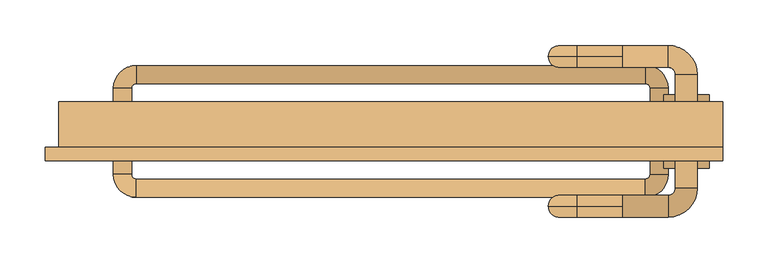
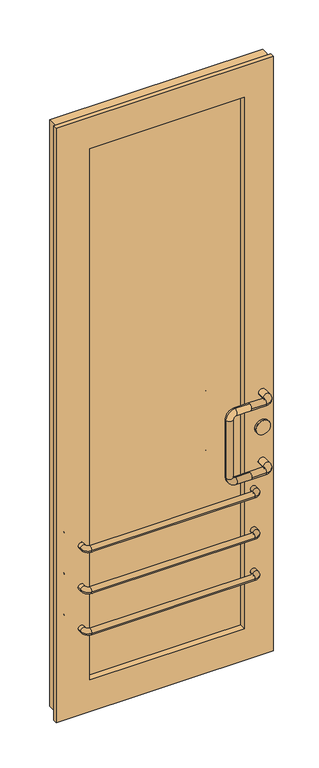
"""IFC4 building model written with IfcOpenShell, lengths in millimetres: door geometry."""

import ifcopenshell
import ifcopenshell.guid

model = None  # the IFC model being written
_history = None  # IfcOwnerHistory: only IFC2X3 demands one
_inside = {}  # id of a spatial element -> (the spatial element, [elements in it])
_under = {}  # id of a project, library or spatial element -> (it, [spatial elements below it])
_declared = {}  # id of a project -> (the project, [libraries it declares])
_typed = {}  # id of a type object -> (the type object, [elements of that type])
_made_of = {}  # id of a material, layer set ... -> (it, [elements and type objects made of it])


def new_model(schema):
    """Start an empty IFC model of exactly this schema.

    Asked for "IFC4X3", IfcOpenShell would pick the latest addendum, in which some entities
    have other attributes; the version numbers below select the first issue.
    IFC2X3 requires an IfcOwnerHistory on every rooted entity: one is made here for all.
    """
    global model, _history
    if schema == "IFC4X3":
        model = ifcopenshell.file(schema_version=(4, 3, 0, 0))
    else:
        model = ifcopenshell.file(schema=schema)
    _inside.clear()
    _under.clear()
    _declared.clear()
    _typed.clear()
    _made_of.clear()
    _history = None
    if model.schema == "IFC2X3":
        org = make("IfcOrganization", Name="unknown")
        user = make(
            "IfcPersonAndOrganization",
            ThePerson=make("IfcPerson", FamilyName="unknown"),
            TheOrganization=org,
        )
        app = make(
            "IfcApplication",
            ApplicationDeveloper=org,
            Version="unknown",
            ApplicationFullName="unknown",
            ApplicationIdentifier="unknown",
        )
        _history = make(
            "IfcOwnerHistory",
            OwningUser=user,
            OwningApplication=app,
            ChangeAction="ADDED",
            CreationDate=0,
        )
    return model


def make(cls, **values):
    """One entity of the class cls with the attributes given. An attribute that is None is left unset."""
    return model.create_entity(
        cls, **{name: value for name, value in values.items() if value is not None}
    )


def rooted(cls, **values):
    """An entity with a GlobalId (a new one), such as an element, a storey or a relation."""
    return make(cls, GlobalId=ifcopenshell.guid.new(), OwnerHistory=_history, **values)


def si_unit(unit_type, name, prefix=None):
    """IfcSIUnit, for example si_unit("LENGTHUNIT", "METRE", prefix="MILLI")."""
    return make("IfcSIUnit", UnitType=unit_type, Prefix=prefix, Name=name)


def assignment(units):
    """IfcUnitAssignment: the units of a project."""
    return None if units is None else make("IfcUnitAssignment", Units=units)


def point(xyz):
    """IfcCartesianPoint."""
    return None if xyz is None else make("IfcCartesianPoint", Coordinates=xyz)


def direction(xyz):
    """IfcDirection."""
    return None if xyz is None else make("IfcDirection", DirectionRatios=xyz)


def frame(location, z_axis=None, x_axis=None):
    """IfcAxis2Placement3D, a coordinate frame: its origin and axes. An axis left out is left unset."""
    return make(
        "IfcAxis2Placement3D",
        Location=point(location),
        Axis=direction(z_axis),
        RefDirection=direction(x_axis),
    )


def frame_2d(location, x_axis=None):
    """IfcAxis2Placement2D, a coordinate frame in the plane: its origin and x axis."""
    return make(
        "IfcAxis2Placement2D", Location=point(location), RefDirection=direction(x_axis)
    )


def origin():
    """The frame at (0, 0, 0) with its axes left unset."""
    return frame((0.0, 0.0, 0.0))


def place(relative_to, where):
    """IfcLocalPlacement: puts the frame where relative to a parent placement (None: the world)."""
    return make(
        "IfcLocalPlacement", PlacementRelTo=relative_to, RelativePlacement=where
    )


def context(
    kind, dimensions, precision=None, world=None, true_north=None, identifier=None
):
    """IfcGeometricRepresentationContext, for example the 3D "Model" context."""
    return make(
        "IfcGeometricRepresentationContext",
        ContextIdentifier=identifier,
        ContextType=kind,
        CoordinateSpaceDimension=dimensions,
        Precision=precision,
        WorldCoordinateSystem=world,
        TrueNorth=true_north,
    )


def project(units=None, contexts=None):
    """IfcProject with its units and contexts."""
    return rooted(
        "IfcProject",
        Name="project",
        RepresentationContexts=contexts,
        UnitsInContext=assignment(units),
    )


def spatial(cls, under=None, at=None, **own):
    """A site, building, storey or space (cls), placed at a placement, below another one or the project."""
    s = rooted(cls, ObjectPlacement=at, **own)
    if under is not None:
        _under.setdefault(under.id(), (under, []))[1].append(s)
    return s


def polyline(points):
    """IfcPolyline through the points."""
    return make("IfcPolyline", Points=[point(p) for p in points])


def circle_curve(where, radius):
    """IfcCircle in the frame where."""
    return make("IfcCircle", Position=where, Radius=radius)


def ellipse_curve(where, semi_axis1, semi_axis2):
    """IfcEllipse in the frame where."""
    return make(
        "IfcEllipse", Position=where, SemiAxis1=semi_axis1, SemiAxis2=semi_axis2
    )


def trimmed(basis, trim1, trim2, sense, master):
    """IfcTrimmedCurve: the piece of a basis curve between two trims."""
    return make(
        "IfcTrimmedCurve",
        BasisCurve=basis,
        Trim1=trim1,
        Trim2=trim2,
        SenseAgreement=sense,
        MasterRepresentation=master,
    )


def segment(curve, same_sense, transition):
    """IfcCompositeCurveSegment."""
    return make(
        "IfcCompositeCurveSegment",
        Transition=transition,
        SameSense=same_sense,
        ParentCurve=curve,
    )


def composite_curve(segments, self_intersect=None):
    """IfcCompositeCurve: segments joined end to end."""
    return make("IfcCompositeCurve", Segments=segments, SelfIntersect=self_intersect)


def outline(outer, holes=None, kind="AREA"):
    """IfcArbitraryClosedProfileDef: a profile drawn as a closed curve; with holes, ...WithVoids."""
    if holes is None:
        return make("IfcArbitraryClosedProfileDef", ProfileType=kind, OuterCurve=outer)
    return make(
        "IfcArbitraryProfileDefWithVoids",
        ProfileType=kind,
        OuterCurve=outer,
        InnerCurves=holes,
    )


def extrude(swept, where, along, depth):
    """IfcExtrudedAreaSolid: the profile swept, set in the frame where, extruded along a direction by depth."""
    return make(
        "IfcExtrudedAreaSolid",
        SweptArea=swept,
        Position=where,
        ExtrudedDirection=direction(along),
        Depth=depth,
    )


def faces_of(points, faces, orient=None, outer=None):
    """IfcFace entities. A face is a list of loops; a loop is a list of indices into points, from 0.

    orient and outer hold one flag for each loop. By default every Orientation is true, the
    first loop of a face is its IfcFaceOuterBound and the others are IfcFaceBound.
    """
    made = []
    for i, loops in enumerate(faces):
        bounds = []
        for j, loop in enumerate(loops):
            is_outer = j == 0 if outer is None else outer[i][j]
            bounds.append(
                make(
                    "IfcFaceOuterBound" if is_outer else "IfcFaceBound",
                    Bound=make("IfcPolyLoop", Polygon=[points[k] for k in loop]),
                    Orientation=True if orient is None else orient[i][j],
                )
            )
        made.append(make("IfcFace", Bounds=bounds))
    return made


def faceted_brep(points, faces, orient=None, outer=None, voids=None):
    """IfcFacetedBrep: a solid bounded by flat faces; with voids (closed shells), ...WithVoids."""
    shared = [point(p) for p in points]
    hull = make("IfcClosedShell", CfsFaces=faces_of(shared, faces, orient, outer))
    if voids is None:
        return make("IfcFacetedBrep", Outer=hull)
    return make(
        "IfcFacetedBrepWithVoids",
        Outer=hull,
        Voids=[
            make(cls, CfsFaces=faces_of(shared, fs, o, b)) for cls, fs, o, b in voids
        ],
    )


def shape(context_of_items, identifier, shape_type, items):
    """IfcShapeRepresentation: the items that make up one representation, for example the "Body"."""
    return make(
        "IfcShapeRepresentation",
        ContextOfItems=context_of_items,
        RepresentationIdentifier=identifier,
        RepresentationType=shape_type,
        Items=items,
    )


def source(mapping_origin, context_of_items, identifier, shape_type, items):
    """IfcRepresentationMap: a shape defined once, which mapped items show again and again."""
    return make(
        "IfcRepresentationMap",
        MappingOrigin=mapping_origin,
        MappedRepresentation=shape(context_of_items, identifier, shape_type, items),
    )


def transform(
    local_origin,
    x_axis=None,
    y_axis=None,
    z_axis=None,
    scale=None,
    scale2=None,
    scale3=None,
    uniform=True,
):
    """IfcCartesianTransformationOperator3D, or its non-uniform kind. x_axis, y_axis, z_axis: its Axis1, 2, 3."""
    if uniform:
        return make(
            "IfcCartesianTransformationOperator3D",
            Axis1=direction(x_axis),
            Axis2=direction(y_axis),
            LocalOrigin=point(local_origin),
            Scale=scale,
            Axis3=direction(z_axis),
        )
    return make(
        "IfcCartesianTransformationOperator3DnonUniform",
        Axis1=direction(x_axis),
        Axis2=direction(y_axis),
        LocalOrigin=point(local_origin),
        Scale=scale,
        Axis3=direction(z_axis),
        Scale2=scale2,
        Scale3=scale3,
    )


def mapped(mapping_source, mapping_target):
    """IfcMappedItem: shows the shape of a source again, moved by a transform."""
    return make(
        "IfcMappedItem", MappingSource=mapping_source, MappingTarget=mapping_target
    )


def made_of(thing, what):
    """Note that an element or type object is made of a material, layer set ...; save() writes the relation."""
    if what is not None:
        _made_of.setdefault(what.id(), (what, []))[1].append(thing)
    return thing


def element(
    cls,
    number,
    at=None,
    inside=None,
    cuts=None,
    type_object=None,
    material=None,
    context=None,
    identifier="Body",
    shape_type=None,
    held_by="IfcProductDefinitionShape",
    body=None,
    shapes=None,
    **own,
):
    """One element of the class cls, such as IfcWall. Its Tag is "e" and its number.

    at: its placement. inside: the storey or other place that contains it. cuts: it is an
    opening in that element (IfcRelVoidsElement). A single representation is given by context,
    identifier, shape_type and body (its items); several are given by shapes. held_by: the class
    of the entity that holds the representations. save() writes the other relations.
    """
    e = rooted(cls, Tag="e%d" % number, ObjectPlacement=at, **own)
    if body is not None:
        shapes = [shape(context, identifier, shape_type, body)]
    if shapes is not None:
        e.Representation = make(held_by, Representations=shapes)
    if inside is not None:
        _inside.setdefault(inside.id(), (inside, []))[1].append(e)
    if cuts is not None:
        rooted(
            "IfcRelVoidsElement", RelatingBuildingElement=cuts, RelatedOpeningElement=e
        )
    if type_object is not None:
        _typed.setdefault(type_object.id(), (type_object, []))[1].append(e)
    return made_of(e, material)


def aggregate(whole, parts):
    """IfcRelAggregates: a whole, such as a stair, and the parts it consists of."""
    return rooted("IfcRelAggregates", RelatingObject=whole, RelatedObjects=parts)


def save(model, path):
    """Write the relations noted so far, then the file.

    IfcRelAggregates (storeys below a building ...), IfcRelContainedInSpatialStructure (elements
    in a storey), IfcRelDefinesByType, IfcRelAssociatesMaterial and IfcRelDeclares: one each for
    every whole, place, type object, material and project.
    """
    for whole, parts in _under.values():
        aggregate(whole, parts)
    for where, things in _inside.values():
        rooted(
            "IfcRelContainedInSpatialStructure",
            RelatedElements=things,
            RelatingStructure=where,
        )
    for kind, things in _typed.values():
        rooted("IfcRelDefinesByType", RelatedObjects=things, RelatingType=kind)
    for what, things in _made_of.values():
        rooted("IfcRelAssociatesMaterial", RelatedObjects=things, RelatingMaterial=what)
    for by, libraries in _declared.values():
        rooted("IfcRelDeclares", RelatingContext=by, RelatedDefinitions=libraries)
    model.write(path)


def cylinder_surface(at, radius):
    """IfcCylindricalSurface: all points at the distance radius from the z axis of the frame at."""
    return make("IfcCylindricalSurface", Position=at, Radius=radius)


def revolved_surface(curve, axis_point, axis_direction):
    """IfcSurfaceOfRevolution: the curve turned about the line through axis_point along axis_direction."""
    return make(
        "IfcSurfaceOfRevolution",
        SweptCurve=make("IfcArbitraryOpenProfileDef", ProfileType="CURVE", Curve=curve),
        AxisPosition=make("IfcAxis1Placement", Location=point(axis_point), Axis=direction(axis_direction)),
    )


def advanced_brep(points, edges, surfaces, faces):
    """IfcAdvancedBrep: a solid bounded by faces that lie on surfaces and meet in shared edges.

    An edge is (start, end): straight between two places in points (the first is 0);
    or (start, end, curve); or (start, end, curve, False) where it runs against its curve.
    A face is (place in surfaces, loops), or (place, loops, False) where it looks against
    its surface's normal. A loop lists edges by number (the first is 1), with a minus sign
    where the edge is run from its end to its start. The first loop is the outer one.
    """
    corners = [point(p) for p in points]
    vertices = [make("IfcVertexPoint", VertexGeometry=c) for c in corners]
    made = []
    for start, end, *more in edges:
        made.append(
            make(
                "IfcEdgeCurve",
                EdgeStart=vertices[start],
                EdgeEnd=vertices[end],
                EdgeGeometry=more[0] if more else make("IfcPolyline", Points=[corners[start], corners[end]]),
                SameSense=more[1] if len(more) > 1 else True,
            )
        )
    hull = []
    for where, loops, *sense in faces:
        bounds = []
        for j, loop in enumerate(loops):
            ring = [make("IfcOrientedEdge", EdgeElement=made[abs(k) - 1], Orientation=k > 0) for k in loop]
            bounds.append(
                make(
                    "IfcFaceOuterBound" if j == 0 else "IfcFaceBound",
                    Bound=make("IfcEdgeLoop", EdgeList=ring),
                    Orientation=True,
                )
            )
        hull.append(make("IfcAdvancedFace", Bounds=bounds, FaceSurface=surfaces[where], SameSense=sense[0] if sense else True))
    return make("IfcAdvancedBrep", Outer=make("IfcClosedShell", CfsFaces=hull))


def door_26f77ad2(model_context):
    return source(origin(), model_context, "Body", "SolidModel", [
        faceted_brep([(-100.0, -47.5, 160.0), (-100.0, 17.5, 160.0), (-631.3125, 17.5, 160.0), (-631.3125, -47.5, 160.0), (-746.3125, -47.5, 45.0), (-746.3125, -32.5, 45.0), (0.0, -32.5, 45.0), (0.0, -47.5, 45.0), (0.0, 17.5, 60.0), (0.0, -32.5, 60.0), (-731.3125, -32.5, 60.0), (-731.3125, 17.5, 60.0), (-631.3125, 17.5, 2090.125), (-631.3125, -47.5, 2090.125), (-746.3125, -47.5, 2205.125), (-746.3125, -32.5, 2205.125), (-731.3125, -32.5, 2190.125), (-731.3125, 17.5, 2190.125), (-100.0, 17.5, 2090.125), (-100.0, -47.5, 2090.125), (0.0, -47.5, 2205.125), (0.0, -32.5, 2205.125), (0.0, -32.5, 2190.125), (0.0, 17.5, 2190.125)], [[[0, 1, 2, 3]], [[4, 5, 6, 7]], [[8, 9, 10, 11]], [[3, 2, 12, 13]], [[5, 4, 14, 15]], [[11, 10, 16, 17]], [[13, 12, 18, 19]], [[15, 14, 20, 21]], [[17, 16, 22, 23]], [[1, 0, 19, 18]], [[14, 4, 7, 20], [0, 3, 13, 19]], [[10, 9, 6, 5, 15, 21, 22, 16]], [[9, 8, 23, 22, 21, 20, 7, 6]], [[8, 11, 17, 23], [2, 1, 18, 12]]]),
        advanced_brep(
        [(-60.0, 32.5, 360.0), (-80.0, 32.5, 360.0), (-80.0, -62.5, 360.0), (-60.0, -62.5, 360.0), (-85.0, -87.5, 360.0), (-85.0, -67.5, 360.0), (-646.3125, -67.5, 360.0), (-646.3125, -87.5, 360.0), (-671.3125, -62.5, 360.0), (-651.3125, -62.5, 360.0), (-651.3125, 32.5, 360.0), (-671.3125, 32.5, 360.0), (-646.3125, 57.5, 360.0), (-646.3125, 37.5, 360.0), (-85.0, 37.5, 360.0), (-85.0, 57.5, 360.0)],
        [
            (0, 1, circle_curve(frame((-70.0, 32.5, 360.0), z_axis=(0.0, -1.0, 0.0), x_axis=(1.0, 0.0, 0.0)), 10.0)),
            (1, 2),
            (2, 3, circle_curve(frame((-70.0, -62.5, 360.0), z_axis=(0.0, 1.0, 0.0), x_axis=(1.0, 0.0, 0.0)), 10.0)),
            (3, 0),
            (1, 0, circle_curve(frame((-70.0, 32.5, 360.0), z_axis=(0.0, -1.0, 0.0), x_axis=(1.0, 0.0, 0.0)), 10.0)),
            (3, 2, circle_curve(frame((-70.0, -62.5, 360.0), z_axis=(0.0, 1.0, 0.0), x_axis=(1.0, 0.0, 0.0)), 10.0)),
            (4, 3, circle_curve(frame((-85.0, -62.5, 360.0), z_axis=(0.0, 0.0, 1.0), x_axis=(1.0, 0.0, 0.0)), 25.0)),
            (2, 5, circle_curve(frame((-85.0, -62.5, 360.0), z_axis=(0.0, 0.0, -1.0), x_axis=(1.0, 0.0, 0.0)), 5.0)),
            (5, 4, circle_curve(frame((-85.0, -77.5, 360.0), z_axis=(1.0, 0.0, 0.0), x_axis=(0.0, -1.0, 0.0)), 10.0)),
            (4, 5, circle_curve(frame((-85.0, -77.5, 360.0), z_axis=(1.0, 0.0, 0.0), x_axis=(0.0, -1.0, 0.0)), 10.0)),
            (5, 6),
            (6, 7, circle_curve(frame((-646.3125, -77.5, 360.0), z_axis=(1.0, 0.0, 0.0), x_axis=(0.0, -1.0, 0.0)), 10.0)),
            (7, 4),
            (7, 6, circle_curve(frame((-646.3125, -77.5, 360.0), z_axis=(1.0, 0.0, 0.0), x_axis=(0.0, -1.0, 0.0)), 10.0)),
            (8, 7, circle_curve(frame((-646.3125, -62.5, 360.0), z_axis=(0.0, 0.0, 1.0), x_axis=(0.0, -1.0, 0.0)), 25.0)),
            (6, 9, circle_curve(frame((-646.3125, -62.5, 360.0), z_axis=(0.0, 0.0, -1.0), x_axis=(0.0, -1.0, 0.0)), 5.0)),
            (9, 8, circle_curve(frame((-661.3125, -62.5, 360.0), z_axis=(0.0, -1.0, 0.0), x_axis=(-1.0, 0.0, 0.0)), 10.0)),
            (8, 9, circle_curve(frame((-661.3125, -62.5, 360.0), z_axis=(0.0, -1.0, 0.0), x_axis=(-1.0, 0.0, 0.0)), 10.0)),
            (9, 10),
            (10, 11, circle_curve(frame((-661.3125, 32.5, 360.0), z_axis=(0.0, -1.0, 0.0), x_axis=(-1.0, 0.0, 0.0)), 10.0)),
            (11, 8),
            (11, 10, circle_curve(frame((-661.3125, 32.5, 360.0), z_axis=(0.0, -1.0, 0.0), x_axis=(-1.0, 0.0, 0.0)), 10.0)),
            (12, 11, circle_curve(frame((-646.3125, 32.5, 360.0), z_axis=(0.0, 0.0, 1.0), x_axis=(-1.0, 0.0, 0.0)), 25.0)),
            (10, 13, circle_curve(frame((-646.3125, 32.5, 360.0), z_axis=(0.0, 0.0, -1.0), x_axis=(-1.0, 0.0, 0.0)), 5.0)),
            (13, 12, circle_curve(frame((-646.3125, 47.5, 360.0), z_axis=(-1.0, 0.0, 0.0), x_axis=(0.0, 1.0, 0.0)), 10.0)),
            (12, 13, circle_curve(frame((-646.3125, 47.5, 360.0), z_axis=(-1.0, 0.0, 0.0), x_axis=(0.0, 1.0, 0.0)), 10.0)),
            (13, 14),
            (14, 15, circle_curve(frame((-85.0, 47.5, 360.0), z_axis=(-1.0, 0.0, 0.0), x_axis=(0.0, 1.0, 0.0)), 10.0)),
            (15, 12),
            (15, 14, circle_curve(frame((-85.0, 47.5, 360.0), z_axis=(-1.0, 0.0, 0.0), x_axis=(0.0, 1.0, 0.0)), 10.0)),
            (0, 15, circle_curve(frame((-85.0, 32.5, 360.0), z_axis=(0.0, 0.0, 1.0), x_axis=(0.0, 1.0, 0.0)), 25.0)),
            (14, 1, circle_curve(frame((-85.0, 32.5, 360.0), z_axis=(0.0, 0.0, -1.0), x_axis=(0.0, 1.0, 0.0)), 5.0)),
        ],
        [
            cylinder_surface(frame((-70.0, 32.5, 360.0), z_axis=(0.0, 1.0, 0.0), x_axis=(1.0, 0.0, 0.0)), 10.0),
            revolved_surface(trimmed(ellipse_curve(frame((-70.0, -62.5, 360.0), z_axis=(0.0, 1.0, 0.0), x_axis=(1.0, 0.0, 0.0)), 10.0, 10.0), [point((-80.0, -62.5, 360.0))], [point((-60.0, -62.5, 360.0))], True, "CARTESIAN"), (-85.0, -62.5, 360.0), (0.0, 0.0, -1.0)),
            revolved_surface(trimmed(ellipse_curve(frame((-70.0, -62.5, 360.0), z_axis=(0.0, 1.0, 0.0), x_axis=(1.0, 0.0, 0.0)), 10.0, 10.0), [point((-60.0, -62.5, 360.0))], [point((-80.0, -62.5, 360.0))], True, "CARTESIAN"), (-85.0, -62.5, 360.0), (0.0, 0.0, -1.0)),
            cylinder_surface(frame((-85.0, -77.5, 360.0), z_axis=(1.0, 0.0, 0.0), x_axis=(0.0, -1.0, 0.0)), 10.0),
            revolved_surface(trimmed(ellipse_curve(frame((-646.3125, -77.5, 360.0), z_axis=(1.0, 0.0, 0.0), x_axis=(0.0, -1.0, 0.0)), 10.0, 10.0), [point((-646.3125, -67.5, 360.0))], [point((-646.3125, -87.5, 360.0))], True, "CARTESIAN"), (-646.3125, -62.5, 360.0), (0.0, 0.0, -1.0)),
            revolved_surface(trimmed(ellipse_curve(frame((-646.3125, -77.5, 360.0), z_axis=(1.0, 0.0, 0.0), x_axis=(0.0, -1.0, 0.0)), 10.0, 10.0), [point((-646.3125, -87.5, 360.0))], [point((-646.3125, -67.5, 360.0))], True, "CARTESIAN"), (-646.3125, -62.5, 360.0), (0.0, 0.0, -1.0)),
            cylinder_surface(frame((-661.3125, -62.5, 360.0), z_axis=(0.0, -1.0, 0.0), x_axis=(-1.0, 0.0, 0.0)), 10.0),
            revolved_surface(trimmed(ellipse_curve(frame((-661.3125, 32.5, 360.0), z_axis=(0.0, -1.0, 0.0), x_axis=(-1.0, 0.0, 0.0)), 10.0, 10.0), [point((-651.3125, 32.5, 360.0))], [point((-671.3125, 32.5, 360.0))], True, "CARTESIAN"), (-646.3125, 32.5, 360.0), (0.0, 0.0, -1.0)),
            revolved_surface(trimmed(ellipse_curve(frame((-661.3125, 32.5, 360.0), z_axis=(0.0, -1.0, 0.0), x_axis=(-1.0, 0.0, 0.0)), 10.0, 10.0), [point((-671.3125, 32.5, 360.0))], [point((-651.3125, 32.5, 360.0))], True, "CARTESIAN"), (-646.3125, 32.5, 360.0), (0.0, 0.0, -1.0)),
            cylinder_surface(frame((-646.3125, 47.5, 360.0), z_axis=(-1.0, 0.0, 0.0), x_axis=(0.0, 1.0, 0.0)), 10.0),
            revolved_surface(trimmed(ellipse_curve(frame((-85.0, 47.5, 360.0), z_axis=(-1.0, 0.0, 0.0), x_axis=(0.0, 1.0, 0.0)), 10.0, 10.0), [point((-85.0, 37.5, 360.0))], [point((-85.0, 57.5, 360.0))], True, "CARTESIAN"), (-85.0, 32.5, 360.0), (0.0, 0.0, -1.0)),
            revolved_surface(trimmed(ellipse_curve(frame((-85.0, 47.5, 360.0), z_axis=(-1.0, 0.0, 0.0), x_axis=(0.0, 1.0, 0.0)), 10.0, 10.0), [point((-85.0, 57.5, 360.0))], [point((-85.0, 37.5, 360.0))], True, "CARTESIAN"), (-85.0, 32.5, 360.0), (0.0, 0.0, -1.0)),
        ],
        [
            (0, [[1, 2, 3, 4]]),
            (0, [[5, -4, 6, -2]]),
            (1, [[7, -3, 8, 9]]),
            (2, [[-8, -6, -7, 10]]),
            (3, [[-9, 11, 12, 13]]),
            (3, [[-10, -13, 14, -11]]),
            (4, [[15, -12, 16, 17]]),
            (5, [[-16, -14, -15, 18]]),
            (6, [[-17, 19, 20, 21]]),
            (6, [[-18, -21, 22, -19]]),
            (7, [[23, -20, 24, 25]]),
            (8, [[-24, -22, -23, 26]]),
            (9, [[-25, 27, 28, 29]]),
            (9, [[-26, -29, 30, -27]]),
            (10, [[31, -28, 32, -1]]),
            (11, [[-32, -30, -31, -5]]),
        ],
    ),
        advanced_brep(
        [(-60.0, 32.5, 510.0), (-80.0, 32.5, 510.0), (-80.0, -62.5, 510.0), (-60.0, -62.5, 510.0), (-85.0, -87.5, 510.0), (-85.0, -67.5, 510.0), (-646.3125, -67.5, 510.0), (-646.3125, -87.5, 510.0), (-671.3125, -62.5, 510.0), (-651.3125, -62.5, 510.0), (-651.3125, 32.5, 510.0), (-671.3125, 32.5, 510.0), (-646.3125, 57.5, 510.0), (-646.3125, 37.5, 510.0), (-85.0, 37.5, 510.0), (-85.0, 57.5, 510.0)],
        [
            (0, 1, circle_curve(frame((-70.0, 32.5, 510.0), z_axis=(0.0, -1.0, 0.0), x_axis=(1.0, 0.0, 0.0)), 10.0)),
            (1, 2),
            (2, 3, circle_curve(frame((-70.0, -62.5, 510.0), z_axis=(0.0, 1.0, 0.0), x_axis=(1.0, 0.0, 0.0)), 10.0)),
            (3, 0),
            (1, 0, circle_curve(frame((-70.0, 32.5, 510.0), z_axis=(0.0, -1.0, 0.0), x_axis=(1.0, 0.0, 0.0)), 10.0)),
            (3, 2, circle_curve(frame((-70.0, -62.5, 510.0), z_axis=(0.0, 1.0, 0.0), x_axis=(1.0, 0.0, 0.0)), 10.0)),
            (4, 3, circle_curve(frame((-85.0, -62.5, 510.0), z_axis=(0.0, 0.0, 1.0), x_axis=(1.0, 0.0, 0.0)), 25.0)),
            (2, 5, circle_curve(frame((-85.0, -62.5, 510.0), z_axis=(0.0, 0.0, -1.0), x_axis=(1.0, 0.0, 0.0)), 5.0)),
            (5, 4, circle_curve(frame((-85.0, -77.5, 510.0), z_axis=(1.0, 0.0, 0.0), x_axis=(0.0, -1.0, 0.0)), 10.0)),
            (4, 5, circle_curve(frame((-85.0, -77.5, 510.0), z_axis=(1.0, 0.0, 0.0), x_axis=(0.0, -1.0, 0.0)), 10.0)),
            (5, 6),
            (6, 7, circle_curve(frame((-646.3125, -77.5, 510.0), z_axis=(1.0, 0.0, 0.0), x_axis=(0.0, -1.0, 0.0)), 10.0)),
            (7, 4),
            (7, 6, circle_curve(frame((-646.3125, -77.5, 510.0), z_axis=(1.0, 0.0, 0.0), x_axis=(0.0, -1.0, 0.0)), 10.0)),
            (8, 7, circle_curve(frame((-646.3125, -62.5, 510.0), z_axis=(0.0, 0.0, 1.0), x_axis=(0.0, -1.0, 0.0)), 25.0)),
            (6, 9, circle_curve(frame((-646.3125, -62.5, 510.0), z_axis=(0.0, 0.0, -1.0), x_axis=(0.0, -1.0, 0.0)), 5.0)),
            (9, 8, circle_curve(frame((-661.3125, -62.5, 510.0), z_axis=(0.0, -1.0, 0.0), x_axis=(-1.0, 0.0, 0.0)), 10.0)),
            (8, 9, circle_curve(frame((-661.3125, -62.5, 510.0), z_axis=(0.0, -1.0, 0.0), x_axis=(-1.0, 0.0, 0.0)), 10.0)),
            (9, 10),
            (10, 11, circle_curve(frame((-661.3125, 32.5, 510.0), z_axis=(0.0, -1.0, 0.0), x_axis=(-1.0, 0.0, 0.0)), 10.0)),
            (11, 8),
            (11, 10, circle_curve(frame((-661.3125, 32.5, 510.0), z_axis=(0.0, -1.0, 0.0), x_axis=(-1.0, 0.0, 0.0)), 10.0)),
            (12, 11, circle_curve(frame((-646.3125, 32.5, 510.0), z_axis=(0.0, 0.0, 1.0), x_axis=(-1.0, -1.264444445123043e-12, 0.0)), 25.0)),
            (10, 13, circle_curve(frame((-646.3125, 32.5, 510.0), z_axis=(0.0, 0.0, -1.0), x_axis=(-1.0, -1.264444445123043e-12, 0.0)), 5.0)),
            (13, 12, circle_curve(frame((-646.3125, 47.5, 510.0), z_axis=(-1.0, 0.0, 0.0), x_axis=(0.0, 1.0, 0.0)), 10.0)),
            (12, 13, circle_curve(frame((-646.3125, 47.5, 510.0), z_axis=(-1.0, 0.0, 0.0), x_axis=(0.0, 1.0, 0.0)), 10.0)),
            (13, 14),
            (14, 15, circle_curve(frame((-85.0, 47.5, 510.0), z_axis=(-1.0, 0.0, 0.0), x_axis=(0.0, 1.0, 0.0)), 10.0)),
            (15, 12),
            (15, 14, circle_curve(frame((-85.0, 47.5, 510.0), z_axis=(-1.0, 0.0, 0.0), x_axis=(0.0, 1.0, 0.0)), 10.0)),
            (0, 15, circle_curve(frame((-85.0, 32.5, 510.0), z_axis=(0.0, 0.0, 1.0), x_axis=(0.0, 1.0, 0.0)), 25.0)),
            (14, 1, circle_curve(frame((-85.0, 32.5, 510.0), z_axis=(0.0, 0.0, -1.0), x_axis=(0.0, 1.0, 0.0)), 5.0)),
        ],
        [
            cylinder_surface(frame((-70.0, 32.5, 510.0), z_axis=(0.0, 1.0, 0.0), x_axis=(1.0, 0.0, 0.0)), 10.0),
            revolved_surface(trimmed(ellipse_curve(frame((-70.0, -62.5, 510.0), z_axis=(0.0, 1.0, 0.0), x_axis=(1.0, 0.0, 0.0)), 10.0, 10.0), [point((-80.0, -62.5, 510.0))], [point((-60.0, -62.5, 510.0))], True, "CARTESIAN"), (-85.0, -62.5, 510.0), (0.0, 0.0, -1.0)),
            revolved_surface(trimmed(ellipse_curve(frame((-70.0, -62.5, 510.0), z_axis=(0.0, 1.0, 0.0), x_axis=(1.0, 0.0, 0.0)), 10.0, 10.0), [point((-60.0, -62.5, 510.0))], [point((-80.0, -62.5, 510.0))], True, "CARTESIAN"), (-85.0, -62.5, 510.0), (0.0, 0.0, -1.0)),
            cylinder_surface(frame((-85.0, -77.5, 510.0), z_axis=(1.0, 0.0, 0.0), x_axis=(0.0, -1.0, 0.0)), 10.0),
            revolved_surface(trimmed(ellipse_curve(frame((-646.3125, -77.5, 510.0), z_axis=(1.0, 0.0, 0.0), x_axis=(0.0, -1.0, 0.0)), 10.0, 10.0), [point((-646.3125, -67.5, 510.0))], [point((-646.3125, -87.5, 510.0))], True, "CARTESIAN"), (-646.3125, -62.5, 510.0), (0.0, 0.0, -1.0)),
            revolved_surface(trimmed(ellipse_curve(frame((-646.3125, -77.5, 510.0), z_axis=(1.0, 0.0, 0.0), x_axis=(0.0, -1.0, 0.0)), 10.0, 10.0), [point((-646.3125, -87.5, 510.0))], [point((-646.3125, -67.5, 510.0))], True, "CARTESIAN"), (-646.3125, -62.5, 510.0), (0.0, 0.0, -1.0)),
            cylinder_surface(frame((-661.3125, -62.5, 510.0), z_axis=(0.0, -1.0, 0.0), x_axis=(-1.0, 0.0, 0.0)), 10.0),
            revolved_surface(trimmed(ellipse_curve(frame((-661.3125, 32.5, 510.0), z_axis=(1.2644444451230432e-12, -1.0, 0.0), x_axis=(-1.0, -1.2644444451230432e-12, 0.0)), 10.0, 10.0), [point((-651.3125, 32.5, 510.0))], [point((-671.3125, 32.5, 510.0))], True, "CARTESIAN"), (-646.3125, 32.5, 510.0), (0.0, 0.0, -1.0)),
            revolved_surface(trimmed(ellipse_curve(frame((-661.3125, 32.5, 510.0), z_axis=(1.2644444451230432e-12, -1.0, 0.0), x_axis=(-1.0, -1.2644444451230432e-12, 0.0)), 10.0, 10.0), [point((-671.3125, 32.5, 510.0))], [point((-651.3125, 32.5, 510.0))], True, "CARTESIAN"), (-646.3125, 32.5, 510.0), (0.0, 0.0, -1.0)),
            cylinder_surface(frame((-646.3125, 47.5, 510.0), z_axis=(-1.0, 0.0, 0.0), x_axis=(0.0, 1.0, 0.0)), 10.0),
            revolved_surface(trimmed(ellipse_curve(frame((-85.0, 47.5, 510.0), z_axis=(-1.0, 0.0, 0.0), x_axis=(0.0, 1.0, 0.0)), 10.0, 10.0), [point((-85.0, 37.5, 510.0))], [point((-85.0, 57.5, 510.0))], True, "CARTESIAN"), (-85.0, 32.5, 510.0), (0.0, 0.0, -1.0)),
            revolved_surface(trimmed(ellipse_curve(frame((-85.0, 47.5, 510.0), z_axis=(-1.0, 0.0, 0.0), x_axis=(0.0, 1.0, 0.0)), 10.0, 10.0), [point((-85.0, 57.5, 510.0))], [point((-85.0, 37.5, 510.0))], True, "CARTESIAN"), (-85.0, 32.5, 510.0), (0.0, 0.0, -1.0)),
        ],
        [
            (0, [[1, 2, 3, 4]]),
            (0, [[5, -4, 6, -2]]),
            (1, [[7, -3, 8, 9]]),
            (2, [[-8, -6, -7, 10]]),
            (3, [[-9, 11, 12, 13]]),
            (3, [[-10, -13, 14, -11]]),
            (4, [[15, -12, 16, 17]]),
            (5, [[-16, -14, -15, 18]]),
            (6, [[-17, 19, 20, 21]]),
            (6, [[-18, -21, 22, -19]]),
            (7, [[23, -20, 24, 25]]),
            (8, [[-24, -22, -23, 26]]),
            (9, [[-25, 27, 28, 29]]),
            (9, [[-26, -29, 30, -27]]),
            (10, [[31, -28, 32, -1]]),
            (11, [[-32, -30, -31, -5]]),
        ],
    ),
        advanced_brep(
        [(-60.0, 32.5, 660.0), (-80.0, 32.5, 660.0), (-80.0, -62.5, 660.0), (-60.0, -62.5, 660.0), (-85.0, -87.5, 660.0), (-85.0, -67.5, 660.0), (-646.3125, -67.5, 660.0), (-646.3125, -87.5, 660.0), (-671.3125, -62.5, 660.0), (-651.3125, -62.5, 660.0), (-651.3125, 32.5, 660.0), (-671.3125, 32.5, 660.0), (-646.3125, 57.5, 660.0), (-646.3125, 37.5, 660.0), (-85.0, 37.5, 660.0), (-85.0, 57.5, 660.0)],
        [
            (0, 1, circle_curve(frame((-70.0, 32.5, 660.0), z_axis=(0.0, -1.0, 0.0), x_axis=(1.0, 0.0, 0.0)), 10.0)),
            (1, 2),
            (2, 3, circle_curve(frame((-70.0, -62.5, 660.0), z_axis=(0.0, 1.0, 0.0), x_axis=(1.0, 0.0, 0.0)), 10.0)),
            (3, 0),
            (1, 0, circle_curve(frame((-70.0, 32.5, 660.0), z_axis=(0.0, -1.0, 0.0), x_axis=(1.0, 0.0, 0.0)), 10.0)),
            (3, 2, circle_curve(frame((-70.0, -62.5, 660.0), z_axis=(0.0, 1.0, 0.0), x_axis=(1.0, 0.0, 0.0)), 10.0)),
            (4, 3, circle_curve(frame((-85.0, -62.5, 660.0), z_axis=(0.0, 0.0, 1.0), x_axis=(1.0, 0.0, 0.0)), 25.0)),
            (2, 5, circle_curve(frame((-85.0, -62.5, 660.0), z_axis=(0.0, 0.0, -1.0), x_axis=(1.0, 0.0, 0.0)), 5.0)),
            (5, 4, circle_curve(frame((-85.0, -77.5, 660.0), z_axis=(1.0, 0.0, 0.0), x_axis=(0.0, -1.0, 0.0)), 10.0)),
            (4, 5, circle_curve(frame((-85.0, -77.5, 660.0), z_axis=(1.0, 0.0, 0.0), x_axis=(0.0, -1.0, 0.0)), 10.0)),
            (5, 6),
            (6, 7, circle_curve(frame((-646.3125, -77.5, 660.0), z_axis=(1.0, 0.0, 0.0), x_axis=(0.0, -1.0, 0.0)), 10.0)),
            (7, 4),
            (7, 6, circle_curve(frame((-646.3125, -77.5, 660.0), z_axis=(1.0, 0.0, 0.0), x_axis=(0.0, -1.0, 0.0)), 10.0)),
            (8, 7, circle_curve(frame((-646.3125, -62.5, 660.0), z_axis=(0.0, 0.0, 1.0), x_axis=(0.0, -1.0, 0.0)), 25.0)),
            (6, 9, circle_curve(frame((-646.3125, -62.5, 660.0), z_axis=(0.0, 0.0, -1.0), x_axis=(0.0, -1.0, 0.0)), 5.0)),
            (9, 8, circle_curve(frame((-661.3125, -62.5, 660.0), z_axis=(0.0, -1.0, 0.0), x_axis=(-1.0, 0.0, 0.0)), 10.0)),
            (8, 9, circle_curve(frame((-661.3125, -62.5, 660.0), z_axis=(0.0, -1.0, 0.0), x_axis=(-1.0, 0.0, 0.0)), 10.0)),
            (9, 10),
            (10, 11, circle_curve(frame((-661.3125, 32.5, 660.0), z_axis=(0.0, -1.0, 0.0), x_axis=(-1.0, 0.0, 0.0)), 10.0)),
            (11, 8),
            (11, 10, circle_curve(frame((-661.3125, 32.5, 660.0), z_axis=(0.0, -1.0, 0.0), x_axis=(-1.0, 0.0, 0.0)), 10.0)),
            (12, 11, circle_curve(frame((-646.3125, 32.5, 660.0), z_axis=(0.0, 0.0, 1.0), x_axis=(-1.0, -1.5353388631315812e-12, 0.0)), 25.0)),
            (10, 13, circle_curve(frame((-646.3125, 32.5, 660.0), z_axis=(0.0, 0.0, -1.0), x_axis=(-1.0, -1.5353388631315812e-12, 0.0)), 5.0)),
            (13, 12, circle_curve(frame((-646.3125, 47.5, 660.0), z_axis=(-1.0, 0.0, 0.0), x_axis=(0.0, 1.0, 0.0)), 10.0)),
            (12, 13, circle_curve(frame((-646.3125, 47.5, 660.0), z_axis=(-1.0, 0.0, 0.0), x_axis=(0.0, 1.0, 0.0)), 10.0)),
            (13, 14),
            (14, 15, circle_curve(frame((-85.0, 47.5, 660.0), z_axis=(-1.0, 0.0, 0.0), x_axis=(0.0, 1.0, 0.0)), 10.0)),
            (15, 12),
            (15, 14, circle_curve(frame((-85.0, 47.5, 660.0), z_axis=(-1.0, 0.0, 0.0), x_axis=(0.0, 1.0, 0.0)), 10.0)),
            (0, 15, circle_curve(frame((-85.0, 32.5, 660.0), z_axis=(0.0, 0.0, 1.0), x_axis=(0.0, 1.0, 0.0)), 25.0)),
            (14, 1, circle_curve(frame((-85.0, 32.5, 660.0), z_axis=(0.0, 0.0, -1.0), x_axis=(0.0, 1.0, 0.0)), 5.0)),
        ],
        [
            cylinder_surface(frame((-70.0, 32.5, 660.0), z_axis=(0.0, 1.0, 0.0), x_axis=(1.0, 0.0, 0.0)), 10.0),
            revolved_surface(trimmed(ellipse_curve(frame((-70.0, -62.5, 660.0), z_axis=(0.0, 1.0, 0.0), x_axis=(1.0, 0.0, 0.0)), 10.0, 10.0), [point((-80.0, -62.5, 660.0))], [point((-60.0, -62.5, 660.0))], True, "CARTESIAN"), (-85.0, -62.5, 660.0), (0.0, 0.0, -1.0)),
            revolved_surface(trimmed(ellipse_curve(frame((-70.0, -62.5, 660.0), z_axis=(0.0, 1.0, 0.0), x_axis=(1.0, 0.0, 0.0)), 10.0, 10.0), [point((-60.0, -62.5, 660.0))], [point((-80.0, -62.5, 660.0))], True, "CARTESIAN"), (-85.0, -62.5, 660.0), (0.0, 0.0, -1.0)),
            cylinder_surface(frame((-85.0, -77.5, 660.0), z_axis=(1.0, 0.0, 0.0), x_axis=(0.0, -1.0, 0.0)), 10.0),
            revolved_surface(trimmed(ellipse_curve(frame((-646.3125, -77.5, 660.0), z_axis=(1.0, 0.0, 0.0), x_axis=(0.0, -1.0, 0.0)), 10.0, 10.0), [point((-646.3125, -67.5, 660.0))], [point((-646.3125, -87.5, 660.0))], True, "CARTESIAN"), (-646.3125, -62.5, 660.0), (0.0, 0.0, -1.0)),
            revolved_surface(trimmed(ellipse_curve(frame((-646.3125, -77.5, 660.0), z_axis=(1.0, 0.0, 0.0), x_axis=(0.0, -1.0, 0.0)), 10.0, 10.0), [point((-646.3125, -87.5, 660.0))], [point((-646.3125, -67.5, 660.0))], True, "CARTESIAN"), (-646.3125, -62.5, 660.0), (0.0, 0.0, -1.0)),
            cylinder_surface(frame((-661.3125, -62.5, 660.0), z_axis=(0.0, -1.0, 0.0), x_axis=(-1.0, 0.0, 0.0)), 10.0),
            revolved_surface(trimmed(ellipse_curve(frame((-661.3125, 32.5, 660.0), z_axis=(1.5353388631315812e-12, -1.0, 0.0), x_axis=(-1.0, -1.5353388631315812e-12, 0.0)), 10.0, 10.0), [point((-651.3125, 32.5, 660.0))], [point((-671.3125, 32.5, 660.0))], True, "CARTESIAN"), (-646.3125, 32.5, 660.0), (0.0, 0.0, -1.0)),
            revolved_surface(trimmed(ellipse_curve(frame((-661.3125, 32.5, 660.0), z_axis=(1.5353388631315812e-12, -1.0, 0.0), x_axis=(-1.0, -1.5353388631315812e-12, 0.0)), 10.0, 10.0), [point((-671.3125, 32.5, 660.0))], [point((-651.3125, 32.5, 660.0))], True, "CARTESIAN"), (-646.3125, 32.5, 660.0), (0.0, 0.0, -1.0)),
            cylinder_surface(frame((-646.3125, 47.5, 660.0), z_axis=(-1.0, 0.0, 0.0), x_axis=(0.0, 1.0, 0.0)), 10.0),
            revolved_surface(trimmed(ellipse_curve(frame((-85.0, 47.5, 660.0), z_axis=(-1.0, 0.0, 0.0), x_axis=(0.0, 1.0, 0.0)), 10.0, 10.0), [point((-85.0, 37.5, 660.0))], [point((-85.0, 57.5, 660.0))], True, "CARTESIAN"), (-85.0, 32.5, 660.0), (0.0, 0.0, -1.0)),
            revolved_surface(trimmed(ellipse_curve(frame((-85.0, 47.5, 660.0), z_axis=(-1.0, 0.0, 0.0), x_axis=(0.0, 1.0, 0.0)), 10.0, 10.0), [point((-85.0, 57.5, 660.0))], [point((-85.0, 37.5, 660.0))], True, "CARTESIAN"), (-85.0, 32.5, 660.0), (0.0, 0.0, -1.0)),
        ],
        [
            (0, [[1, 2, 3, 4]]),
            (0, [[5, -4, 6, -2]]),
            (1, [[7, -3, 8, 9]]),
            (2, [[-8, -6, -7, 10]]),
            (3, [[-9, 11, 12, 13]]),
            (3, [[-10, -13, 14, -11]]),
            (4, [[15, -12, 16, 17]]),
            (5, [[-16, -14, -15, 18]]),
            (6, [[-17, 19, 20, 21]]),
            (6, [[-18, -21, 22, -19]]),
            (7, [[23, -20, 24, 25]]),
            (8, [[-24, -22, -23, 26]]),
            (9, [[-25, 27, 28, 29]]),
            (9, [[-26, -29, 30, -27]]),
            (10, [[31, -28, 32, -1]]),
            (11, [[-32, -30, -31, -5]]),
        ],
    ),
        extrude(outline(polyline([(-100.0, -24.5), (-631.3125, -24.5), (-631.3125, 9.5), (-100.0, 9.5), (-100.0, -24.5)])), frame((0.0, 0.0, 160.0), z_axis=(0.0, 0.0, 1.0), x_axis=(1.0, 0.0, 0.0)), (0.0, 0.0, 1.0), 1930.125),
        advanced_brep(
        [(-110.0, -109.5, 1000.0), (-60.0, -109.5, 1000.0), (-60.0, -85.5, 1000.0), (-110.0, -85.5, 1000.0), (-110.0, -97.5, 1012.0), (-110.0, -97.5, 988.0), (-28.0, -77.5, 1000.0), (-52.0, -77.5, 1000.0), (-28.0, 47.5, 1000.0), (-52.0, 47.5, 1000.0), (-60.0, 79.5, 1000.0), (-60.0, 55.5, 1000.0), (-110.0, 79.5, 1000.0), (-110.0, 67.5, 1012.0), (-110.0, 55.5, 1000.0), (-110.0, 67.5, 988.0), (-160.0, -97.5, 988.0), (-160.0, -97.5, 1012.0), (-168.0, -97.5, 980.0), (-192.0, -97.5, 980.0), (-168.0, -97.5, 770.0), (-192.0, -97.5, 770.0), (-160.0, -97.5, 762.0), (-160.0, -97.5, 738.0), (-110.0, -97.5, 762.0), (-110.0, -85.5, 750.0), (-110.0, -97.5, 738.0), (-110.0, -109.5, 750.0), (-60.0, -109.5, 750.0), (-60.0, -85.5, 750.0), (-28.0, -77.5, 750.0), (-52.0, -77.5, 750.0), (-28.0, 47.5, 750.0), (-52.0, 47.5, 750.0), (-60.0, 79.5, 750.0), (-60.0, 55.5, 750.0), (-110.0, 79.5, 750.0), (-110.0, 67.5, 762.0), (-110.0, 55.5, 750.0), (-110.0, 67.5, 738.0), (-160.0, 67.5, 988.0), (-160.0, 67.5, 1012.0), (-168.0, 67.5, 980.0), (-192.0, 67.5, 980.0), (-168.0, 67.5, 770.0), (-192.0, 67.5, 770.0), (-160.0, 67.5, 762.0), (-160.0, 67.5, 738.0)],
        [
            (0, 1),
            (1, 2, circle_curve(frame((-60.0, -97.5, 1000.0), z_axis=(-1.0, 0.0, 0.0), x_axis=(0.0, 1.0, 0.0)), 12.0)),
            (2, 3),
            (3, 4, circle_curve(frame((-110.0, -97.5, 1000.0), z_axis=(1.0, 0.0, 0.0), x_axis=(0.0, 1.0, 0.0)), 12.0)),
            (4, 0, circle_curve(frame((-110.0, -97.5, 1000.0), z_axis=(1.0, 0.0, 0.0), x_axis=(0.0, 1.0, 0.0)), 12.0)),
            (0, 5, circle_curve(frame((-110.0, -97.5, 1000.0), z_axis=(1.0, 0.0, 0.0), x_axis=(0.0, 1.0, 0.0)), 12.0)),
            (5, 3, circle_curve(frame((-110.0, -97.5, 1000.0), z_axis=(1.0, 0.0, 0.0), x_axis=(0.0, 1.0, 0.0)), 12.0)),
            (2, 1, circle_curve(frame((-60.0, -97.5, 1000.0), z_axis=(-1.0, 0.0, 0.0), x_axis=(0.0, 1.0, 0.0)), 12.0)),
            (1, 6, circle_curve(frame((-60.0, -77.5, 1000.0), z_axis=(0.0, 0.0, 1.0), x_axis=(0.0, -1.0, 0.0)), 32.0)),
            (6, 7, circle_curve(frame((-40.0, -77.5, 1000.0), z_axis=(0.0, -1.0, 0.0), x_axis=(-1.0, 0.0, 0.0)), 12.0)),
            (7, 2, circle_curve(frame((-60.0, -77.5, 1000.0), z_axis=(0.0, 0.0, -1.0), x_axis=(0.0, -1.0, 0.0)), 8.0)),
            (7, 6, circle_curve(frame((-40.0, -77.5, 1000.0), z_axis=(0.0, -1.0, 0.0), x_axis=(-1.0, 0.0, 0.0)), 12.0)),
            (6, 8),
            (8, 9, circle_curve(frame((-40.0, 47.5, 1000.0), z_axis=(0.0, -1.0, 0.0), x_axis=(-1.0, 0.0, 0.0)), 12.0)),
            (9, 7),
            (9, 8, circle_curve(frame((-40.0, 47.5, 1000.0), z_axis=(0.0, -1.0, 0.0), x_axis=(-1.0, 0.0, 0.0)), 12.0)),
            (8, 10, circle_curve(frame((-60.0, 47.5, 1000.0), z_axis=(0.0, 0.0, 1.0), x_axis=(1.0, 0.0, 0.0)), 32.0)),
            (10, 11, circle_curve(frame((-60.0, 67.5, 1000.0), z_axis=(1.0, 0.0, 0.0), x_axis=(0.0, -1.0, 0.0)), 12.0)),
            (11, 9, circle_curve(frame((-60.0, 47.5, 1000.0), z_axis=(0.0, 0.0, -1.0), x_axis=(1.0, 0.0, 0.0)), 8.0)),
            (11, 10, circle_curve(frame((-60.0, 67.5, 1000.0), z_axis=(1.0, 0.0, 0.0), x_axis=(0.0, -1.0, 0.0)), 12.0)),
            (10, 12),
            (12, 13, circle_curve(frame((-110.0, 67.5, 1000.0), z_axis=(1.0, 0.0, 0.0), x_axis=(0.0, -1.0, 0.0)), 12.0)),
            (13, 14, circle_curve(frame((-110.0, 67.5, 1000.0), z_axis=(1.0, 0.0, 0.0), x_axis=(0.0, -1.0, 0.0)), 12.0)),
            (14, 11),
            (14, 15, circle_curve(frame((-110.0, 67.5, 1000.0), z_axis=(1.0, 0.0, 0.0), x_axis=(0.0, -1.0, 0.0)), 12.0)),
            (15, 12, circle_curve(frame((-110.0, 67.5, 1000.0), z_axis=(1.0, 0.0, 0.0), x_axis=(0.0, -1.0, 0.0)), 12.0)),
            (5, 16),
            (16, 17, circle_curve(frame((-160.0, -97.5, 1000.0), z_axis=(1.0, 0.0, 0.0), x_axis=(0.0, 0.0, 1.0)), 12.0)),
            (17, 4),
            (17, 16, circle_curve(frame((-160.0, -97.5, 1000.0), z_axis=(1.0, 0.0, 0.0), x_axis=(0.0, 0.0, 1.0)), 12.0)),
            (16, 18, circle_curve(frame((-160.0, -97.5, 980.0), z_axis=(0.0, -1.0, 0.0), x_axis=(0.0, 0.0, 1.0)), 8.0)),
            (18, 19, circle_curve(frame((-180.0, -97.5, 980.0), z_axis=(0.0, 0.0, 1.0), x_axis=(-1.0, 0.0, 0.0)), 12.0)),
            (19, 17, circle_curve(frame((-160.0, -97.5, 980.0), z_axis=(0.0, 1.0, 0.0), x_axis=(0.0, 0.0, 1.0)), 32.0)),
            (19, 18, circle_curve(frame((-180.0, -97.5, 980.0), z_axis=(0.0, 0.0, 1.0), x_axis=(-1.0, 0.0, 0.0)), 12.0)),
            (18, 20),
            (20, 21, circle_curve(frame((-180.0, -97.5, 770.0), z_axis=(0.0, 0.0, 1.0), x_axis=(-1.0, 0.0, 0.0)), 12.0)),
            (21, 19),
            (21, 20, circle_curve(frame((-180.0, -97.5, 770.0), z_axis=(0.0, 0.0, 1.0), x_axis=(-1.0, 0.0, 0.0)), 12.0)),
            (20, 22, circle_curve(frame((-160.0, -97.5, 770.0), z_axis=(0.0, -1.0, 0.0), x_axis=(-1.0, 0.0, 0.0)), 8.0)),
            (22, 23, circle_curve(frame((-160.0, -97.5, 750.0), z_axis=(-1.0, 0.0, 0.0), x_axis=(0.0, 0.0, -1.0)), 12.0)),
            (23, 21, circle_curve(frame((-160.0, -97.5, 770.0), z_axis=(0.0, 1.0, 0.0), x_axis=(-1.0, 0.0, 0.0)), 32.0)),
            (23, 22, circle_curve(frame((-160.0, -97.5, 750.0), z_axis=(-1.0, 0.0, 0.0), x_axis=(0.0, 0.0, -1.0)), 12.0)),
            (22, 24),
            (24, 25, circle_curve(frame((-110.0, -97.5, 750.0), z_axis=(-1.0, 0.0, 0.0), x_axis=(0.0, 0.0, -1.0)), 12.0)),
            (25, 26, circle_curve(frame((-110.0, -97.5, 750.0), z_axis=(-1.0, 0.0, 0.0), x_axis=(0.0, 0.0, -1.0)), 12.0)),
            (26, 23),
            (26, 27, circle_curve(frame((-110.0, -97.5, 750.0), z_axis=(-1.0, 0.0, 0.0), x_axis=(0.0, 0.0, -1.0)), 12.0)),
            (27, 24, circle_curve(frame((-110.0, -97.5, 750.0), z_axis=(-1.0, 0.0, 0.0), x_axis=(0.0, 0.0, -1.0)), 12.0)),
            (27, 28),
            (28, 29, circle_curve(frame((-60.0, -97.5, 750.0), z_axis=(-1.0, 0.0, 0.0), x_axis=(0.0, 1.0, 0.0)), 12.0)),
            (29, 25),
            (29, 28, circle_curve(frame((-60.0, -97.5, 750.0), z_axis=(-1.0, 0.0, 0.0), x_axis=(0.0, 1.0, 0.0)), 12.0)),
            (28, 30, circle_curve(frame((-60.0, -77.5, 750.0), z_axis=(0.0, 0.0, 1.0), x_axis=(0.0, -1.0, 0.0)), 32.0)),
            (30, 31, circle_curve(frame((-40.0, -77.5, 750.0), z_axis=(0.0, -1.0, 0.0), x_axis=(-1.0, 0.0, 0.0)), 12.0)),
            (31, 29, circle_curve(frame((-60.0, -77.5, 750.0), z_axis=(0.0, 0.0, -1.0), x_axis=(0.0, -1.0, 0.0)), 8.0)),
            (31, 30, circle_curve(frame((-40.0, -77.5, 750.0), z_axis=(0.0, -1.0, 0.0), x_axis=(-1.0, 0.0, 0.0)), 12.0)),
            (30, 32),
            (32, 33, circle_curve(frame((-40.0, 47.5, 750.0), z_axis=(0.0, -1.0, 0.0), x_axis=(-1.0, 0.0, 0.0)), 12.0)),
            (33, 31),
            (33, 32, circle_curve(frame((-40.0, 47.5, 750.0), z_axis=(0.0, -1.0, 0.0), x_axis=(-1.0, 0.0, 0.0)), 12.0)),
            (32, 34, circle_curve(frame((-60.0, 47.5, 750.0), z_axis=(0.0, 0.0, 1.0), x_axis=(1.0, 0.0, 0.0)), 32.0)),
            (34, 35, circle_curve(frame((-60.0, 67.5, 750.0), z_axis=(1.0, 0.0, 0.0), x_axis=(0.0, -1.0, 0.0)), 12.0)),
            (35, 33, circle_curve(frame((-60.0, 47.5, 750.0), z_axis=(0.0, 0.0, -1.0), x_axis=(1.0, 0.0, 0.0)), 8.0)),
            (35, 34, circle_curve(frame((-60.0, 67.5, 750.0), z_axis=(1.0, 0.0, 0.0), x_axis=(0.0, -1.0, 0.0)), 12.0)),
            (34, 36),
            (36, 37, circle_curve(frame((-110.0, 67.5, 750.0), z_axis=(1.0, 0.0, 0.0), x_axis=(0.0, -1.0, 0.0)), 12.0)),
            (37, 38, circle_curve(frame((-110.0, 67.5, 750.0), z_axis=(1.0, 0.0, 0.0), x_axis=(0.0, -1.0, 0.0)), 12.0)),
            (38, 35),
            (38, 39, circle_curve(frame((-110.0, 67.5, 750.0), z_axis=(1.0, 0.0, 0.0), x_axis=(0.0, -1.0, 0.0)), 12.0)),
            (39, 36, circle_curve(frame((-110.0, 67.5, 750.0), z_axis=(1.0, 0.0, 0.0), x_axis=(0.0, -1.0, 0.0)), 12.0)),
            (15, 40),
            (40, 41, circle_curve(frame((-160.0, 67.5, 1000.0), z_axis=(1.0, 0.0, 0.0), x_axis=(0.0, 0.0, 1.0)), 12.0)),
            (41, 13),
            (41, 40, circle_curve(frame((-160.0, 67.5, 1000.0), z_axis=(1.0, 0.0, 0.0), x_axis=(0.0, 0.0, 1.0)), 12.0)),
            (40, 42, circle_curve(frame((-160.0, 67.5, 980.0), z_axis=(0.0, -1.0, 0.0), x_axis=(0.0, 0.0, 1.0)), 8.0)),
            (42, 43, circle_curve(frame((-180.0, 67.5, 980.0), z_axis=(0.0, 0.0, 1.0), x_axis=(-1.0, 0.0, 0.0)), 12.0)),
            (43, 41, circle_curve(frame((-160.0, 67.5, 980.0), z_axis=(0.0, 1.0, 0.0), x_axis=(0.0, 0.0, 1.0)), 32.0)),
            (43, 42, circle_curve(frame((-180.0, 67.5, 980.0), z_axis=(0.0, 0.0, 1.0), x_axis=(-1.0, 0.0, 0.0)), 12.0)),
            (42, 44),
            (44, 45, circle_curve(frame((-180.0, 67.5, 770.0), z_axis=(0.0, 0.0, 1.0), x_axis=(-1.0, 0.0, 0.0)), 12.0)),
            (45, 43),
            (45, 44, circle_curve(frame((-180.0, 67.5, 770.0), z_axis=(0.0, 0.0, 1.0), x_axis=(-1.0, 0.0, 0.0)), 12.0)),
            (44, 46, circle_curve(frame((-160.0, 67.5, 770.0), z_axis=(0.0, -1.0, 0.0), x_axis=(-1.0, 0.0, 0.0)), 8.0)),
            (46, 47, circle_curve(frame((-160.0, 67.5, 750.0), z_axis=(-1.0, 0.0, 0.0), x_axis=(0.0, 0.0, -1.0)), 12.0)),
            (47, 45, circle_curve(frame((-160.0, 67.5, 770.0), z_axis=(0.0, 1.0, 0.0), x_axis=(-1.0, 0.0, 0.0)), 32.0)),
            (47, 46, circle_curve(frame((-160.0, 67.5, 750.0), z_axis=(-1.0, 0.0, 0.0), x_axis=(0.0, 0.0, -1.0)), 12.0)),
            (46, 37),
            (39, 47),
        ],
        [
            cylinder_surface(frame((-110.0, -97.5, 1000.0), z_axis=(-1.0, 0.0, 0.0), x_axis=(0.0, 1.0, 0.0)), 12.0),
            revolved_surface(trimmed(ellipse_curve(frame((-60.0, -97.5, 1000.0), z_axis=(-1.0, 0.0, 0.0), x_axis=(0.0, 1.0, 0.0)), 12.0, 12.0), [point((-60.0, -109.5, 1000.0))], [point((-60.0, -85.5, 1000.0))], True, "CARTESIAN"), (-60.0, -77.5, 1000.0), (0.0, 0.0, 1.0)),
            revolved_surface(trimmed(ellipse_curve(frame((-60.0, -97.5, 1000.0), z_axis=(-1.0, 0.0, 0.0), x_axis=(0.0, 1.0, 0.0)), 12.0, 12.0), [point((-60.0, -85.5, 1000.0))], [point((-60.0, -109.5, 1000.0))], True, "CARTESIAN"), (-60.0, -77.5, 1000.0), (0.0, 0.0, 1.0)),
            cylinder_surface(frame((-40.0, -77.5, 1000.0), z_axis=(0.0, -1.0, 0.0), x_axis=(-1.0, 0.0, 0.0)), 12.0),
            revolved_surface(trimmed(ellipse_curve(frame((-40.0, 47.5, 1000.0), z_axis=(0.0, -1.0, 0.0), x_axis=(-1.0, 0.0, 0.0)), 12.0, 12.0), [point((-28.0, 47.5, 1000.0))], [point((-52.0, 47.5, 1000.0))], True, "CARTESIAN"), (-60.0, 47.5, 1000.0), (0.0, 0.0, 1.0)),
            revolved_surface(trimmed(ellipse_curve(frame((-40.0, 47.5, 1000.0), z_axis=(0.0, -1.0, 0.0), x_axis=(-1.0, 0.0, 0.0)), 12.0, 12.0), [point((-52.0, 47.5, 1000.0))], [point((-28.0, 47.5, 1000.0))], True, "CARTESIAN"), (-60.0, 47.5, 1000.0), (0.0, 0.0, 1.0)),
            cylinder_surface(frame((-60.0, 67.5, 1000.0), z_axis=(1.0, 0.0, 0.0), x_axis=(0.0, -1.0, 0.0)), 12.0),
            cylinder_surface(frame((-110.0, -97.5, 1000.0), z_axis=(1.0, 0.0, 0.0), x_axis=(0.0, 0.0, 1.0)), 12.0),
            revolved_surface(trimmed(ellipse_curve(frame((-160.0, -97.5, 1000.0), z_axis=(1.0, 0.0, 0.0), x_axis=(0.0, 0.0, 1.0)), 12.0, 12.0), [point((-160.0, -97.5, 988.0))], [point((-160.0, -97.5, 1012.0))], True, "CARTESIAN"), (-160.0, -97.5, 980.0), (0.0, -1.0, 0.0)),
            revolved_surface(trimmed(ellipse_curve(frame((-160.0, -97.5, 1000.0), z_axis=(1.0, 0.0, 0.0), x_axis=(0.0, 0.0, 1.0)), 12.0, 12.0), [point((-160.0, -97.5, 1012.0))], [point((-160.0, -97.5, 988.0))], True, "CARTESIAN"), (-160.0, -97.5, 980.0), (0.0, -1.0, 0.0)),
            cylinder_surface(frame((-180.0, -97.5, 980.0), z_axis=(0.0, 0.0, 1.0), x_axis=(-1.0, 0.0, 0.0)), 12.0),
            revolved_surface(trimmed(ellipse_curve(frame((-180.0, -97.5, 770.0), z_axis=(0.0, 0.0, 1.0), x_axis=(-1.0, 0.0, 0.0)), 12.0, 12.0), [point((-168.0, -97.5, 770.0))], [point((-192.0, -97.5, 770.0))], True, "CARTESIAN"), (-160.0, -97.5, 770.0), (0.0, -1.0, 0.0)),
            revolved_surface(trimmed(ellipse_curve(frame((-180.0, -97.5, 770.0), z_axis=(0.0, 0.0, 1.0), x_axis=(-1.0, 0.0, 0.0)), 12.0, 12.0), [point((-192.0, -97.5, 770.0))], [point((-168.0, -97.5, 770.0))], True, "CARTESIAN"), (-160.0, -97.5, 770.0), (0.0, -1.0, 0.0)),
            cylinder_surface(frame((-160.0, -97.5, 750.0), z_axis=(-1.0, 0.0, 0.0), x_axis=(0.0, 0.0, -1.0)), 12.0),
            cylinder_surface(frame((-110.0, -97.5, 750.0), z_axis=(-1.0, 0.0, 0.0), x_axis=(0.0, 1.0, 0.0)), 12.0),
            revolved_surface(trimmed(ellipse_curve(frame((-60.0, -97.5, 750.0), z_axis=(-1.0, 0.0, 0.0), x_axis=(0.0, 1.0, 0.0)), 12.0, 12.0), [point((-60.0, -109.5, 750.0))], [point((-60.0, -85.5, 750.0))], True, "CARTESIAN"), (-60.0, -77.5, 750.0), (0.0, 0.0, 1.0)),
            revolved_surface(trimmed(ellipse_curve(frame((-60.0, -97.5, 750.0), z_axis=(-1.0, 0.0, 0.0), x_axis=(0.0, 1.0, 0.0)), 12.0, 12.0), [point((-60.0, -85.5, 750.0))], [point((-60.0, -109.5, 750.0))], True, "CARTESIAN"), (-60.0, -77.5, 750.0), (0.0, 0.0, 1.0)),
            cylinder_surface(frame((-40.0, -77.5, 750.0), z_axis=(0.0, -1.0, 0.0), x_axis=(-1.0, 0.0, 0.0)), 12.0),
            revolved_surface(trimmed(ellipse_curve(frame((-40.0, 47.5, 750.0), z_axis=(0.0, -1.0, 0.0), x_axis=(-1.0, 0.0, 0.0)), 12.0, 12.0), [point((-28.0, 47.5, 750.0))], [point((-52.0, 47.5, 750.0))], True, "CARTESIAN"), (-60.0, 47.5, 750.0), (0.0, 0.0, 1.0)),
            revolved_surface(trimmed(ellipse_curve(frame((-40.0, 47.5, 750.0), z_axis=(0.0, -1.0, 0.0), x_axis=(-1.0, 0.0, 0.0)), 12.0, 12.0), [point((-52.0, 47.5, 750.0))], [point((-28.0, 47.5, 750.0))], True, "CARTESIAN"), (-60.0, 47.5, 750.0), (0.0, 0.0, 1.0)),
            cylinder_surface(frame((-60.0, 67.5, 750.0), z_axis=(1.0, 0.0, 0.0), x_axis=(0.0, -1.0, 0.0)), 12.0),
            cylinder_surface(frame((-110.0, 67.5, 1000.0), z_axis=(1.0, 0.0, 0.0), x_axis=(0.0, 0.0, 1.0)), 12.0),
            revolved_surface(trimmed(ellipse_curve(frame((-160.0, 67.5, 1000.0), z_axis=(1.0, 0.0, 0.0), x_axis=(0.0, 0.0, 1.0)), 12.0, 12.0), [point((-160.0, 67.5, 988.0))], [point((-160.0, 67.5, 1012.0))], True, "CARTESIAN"), (-160.0, 67.5, 980.0), (0.0, -1.0, 0.0)),
            revolved_surface(trimmed(ellipse_curve(frame((-160.0, 67.5, 1000.0), z_axis=(1.0, 0.0, 0.0), x_axis=(0.0, 0.0, 1.0)), 12.0, 12.0), [point((-160.0, 67.5, 1012.0))], [point((-160.0, 67.5, 988.0))], True, "CARTESIAN"), (-160.0, 67.5, 980.0), (0.0, -1.0, 0.0)),
            cylinder_surface(frame((-180.0, 67.5, 980.0), z_axis=(0.0, 0.0, 1.0), x_axis=(-1.0, 0.0, 0.0)), 12.0),
            revolved_surface(trimmed(ellipse_curve(frame((-180.0, 67.5, 770.0), z_axis=(0.0, 0.0, 1.0), x_axis=(-1.0, 0.0, 0.0)), 12.0, 12.0), [point((-168.0, 67.5, 770.0))], [point((-192.0, 67.5, 770.0))], True, "CARTESIAN"), (-160.0, 67.5, 770.0), (0.0, -1.0, 0.0)),
            revolved_surface(trimmed(ellipse_curve(frame((-180.0, 67.5, 770.0), z_axis=(0.0, 0.0, 1.0), x_axis=(-1.0, 0.0, 0.0)), 12.0, 12.0), [point((-192.0, 67.5, 770.0))], [point((-168.0, 67.5, 770.0))], True, "CARTESIAN"), (-160.0, 67.5, 770.0), (0.0, -1.0, 0.0)),
            cylinder_surface(frame((-160.0, 67.5, 750.0), z_axis=(-1.0, 0.0, 0.0), x_axis=(0.0, 0.0, -1.0)), 12.0),
        ],
        [
            (0, [[1, 2, 3, 4, 5]]),
            (0, [[-1, 6, 7, -3, 8]]),
            (1, [[-2, 9, 10, 11]]),
            (2, [[-8, -11, 12, -9]]),
            (3, [[-10, 13, 14, 15]]),
            (3, [[-12, -15, 16, -13]]),
            (4, [[-14, 17, 18, 19]]),
            (5, [[-16, -19, 20, -17]]),
            (6, [[-18, 21, 22, 23, 24]]),
            (6, [[-20, -24, 25, 26, -21]]),
            (7, [[27, 28, 29, -4, -7]]),
            (7, [[-27, -6, -5, -29, 30]]),
            (8, [[-28, 31, 32, 33]]),
            (9, [[-30, -33, 34, -31]]),
            (10, [[-32, 35, 36, 37]]),
            (10, [[-34, -37, 38, -35]]),
            (11, [[-36, 39, 40, 41]]),
            (12, [[-38, -41, 42, -39]]),
            (13, [[-40, 43, 44, 45, 46]]),
            (13, [[-42, -46, 47, 48, -43]]),
            (14, [[49, 50, 51, -44, -48]]),
            (14, [[-49, -47, -45, -51, 52]]),
            (15, [[-50, 53, 54, 55]]),
            (16, [[-52, -55, 56, -53]]),
            (17, [[-54, 57, 58, 59]]),
            (17, [[-56, -59, 60, -57]]),
            (18, [[-58, 61, 62, 63]]),
            (19, [[-60, -63, 64, -61]]),
            (20, [[-62, 65, 66, 67, 68]]),
            (20, [[-64, -68, 69, 70, -65]]),
            (21, [[71, 72, 73, -22, -26]]),
            (21, [[-71, -25, -23, -73, 74]]),
            (22, [[-72, 75, 76, 77]]),
            (23, [[-74, -77, 78, -75]]),
            (24, [[-76, 79, 80, 81]]),
            (24, [[-78, -81, 82, -79]]),
            (25, [[-80, 83, 84, 85]]),
            (26, [[-82, -85, 86, -83]]),
            (27, [[-84, 87, -66, -70, 88]]),
            (27, [[-86, -88, -69, -67, -87]]),
        ],
    ),
        extrude(outline(composite_curve([segment(trimmed(circle_curve(frame_2d((875.0, -40.0)), 25.0), [point((875.0, -15.0))], [point((875.0, -65.0))], False, "CARTESIAN"), True, "CONTINUOUS"), segment(trimmed(circle_curve(frame_2d((875.0, -40.0)), 25.0), [point((875.0, -65.0))], [point((875.0, -15.0))], False, "CARTESIAN"), True, "CONTINUOUS")], self_intersect=False)), frame((0.0, -55.5, 0.0), z_axis=(0.0, 1.0, 0.0), x_axis=(0.0, 0.0, 1.0)), (0.0, 0.0, 1.0), 81.0),
    ])


if __name__ == "__main__":
    model = new_model("IFC4")
    model_context = context("Model", 3, world=origin())
    ifc_project = project(units=[si_unit("LENGTHUNIT", "METRE", prefix="MILLI")], contexts=[model_context])
    site = spatial("IfcSite", under=ifc_project)
    building = spatial("IfcBuilding", under=site)
    placement = place(None, origin())
    door_shape = door_26f77ad2(model_context)
    element("IfcDoor", 1, at=placement, inside=building, context=model_context, shape_type="MappedRepresentation", body=[
        mapped(door_shape, transform((0.0, 0.0, 0.0), x_axis=(1.0, 0.0, 0.0), y_axis=(0.0, 1.0, 0.0), z_axis=(0.0, 0.0, 1.0))),
    ])
    save(model, "model.ifc")
